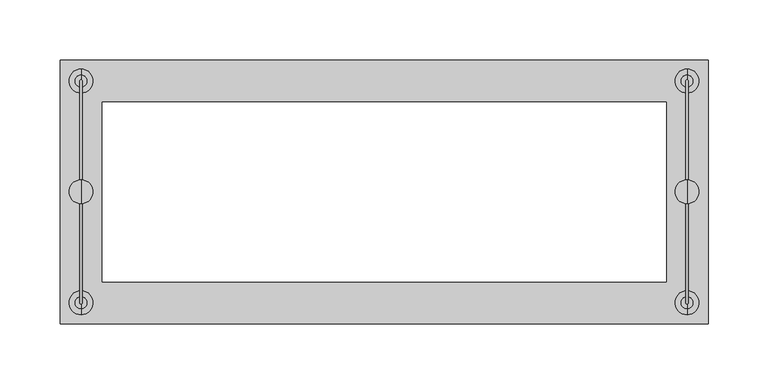
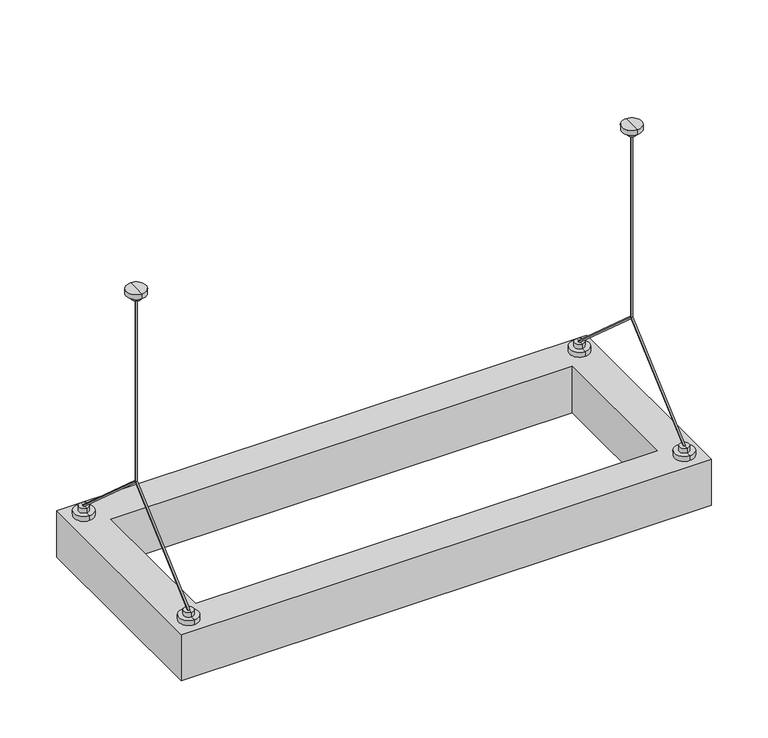
"""IFC4 building model written with IfcOpenShell, lengths in millimetres: light fixture geometry."""

import ifcopenshell
import ifcopenshell.guid

model = None  # the IFC model being written
_history = None  # IfcOwnerHistory: only IFC2X3 demands one
_inside = {}  # id of a spatial element -> (the spatial element, [elements in it])
_under = {}  # id of a project, library or spatial element -> (it, [spatial elements below it])
_declared = {}  # id of a project -> (the project, [libraries it declares])
_typed = {}  # id of a type object -> (the type object, [elements of that type])
_made_of = {}  # id of a material, layer set ... -> (it, [elements and type objects made of it])


def new_model(schema):
    """Start an empty IFC model of exactly this schema.

    Asked for "IFC4X3", IfcOpenShell would pick the latest addendum, in which some entities
    have other attributes; the version numbers below select the first issue.
    IFC2X3 requires an IfcOwnerHistory on every rooted entity: one is made here for all.
    """
    global model, _history
    if schema == "IFC4X3":
        model = ifcopenshell.file(schema_version=(4, 3, 0, 0))
    else:
        model = ifcopenshell.file(schema=schema)
    _inside.clear()
    _under.clear()
    _declared.clear()
    _typed.clear()
    _made_of.clear()
    _history = None
    if model.schema == "IFC2X3":
        org = make("IfcOrganization", Name="unknown")
        user = make(
            "IfcPersonAndOrganization",
            ThePerson=make("IfcPerson", FamilyName="unknown"),
            TheOrganization=org,
        )
        app = make(
            "IfcApplication",
            ApplicationDeveloper=org,
            Version="unknown",
            ApplicationFullName="unknown",
            ApplicationIdentifier="unknown",
        )
        _history = make(
            "IfcOwnerHistory",
            OwningUser=user,
            OwningApplication=app,
            ChangeAction="ADDED",
            CreationDate=0,
        )
    return model


def make(cls, **values):
    """One entity of the class cls with the attributes given. An attribute that is None is left unset."""
    return model.create_entity(
        cls, **{name: value for name, value in values.items() if value is not None}
    )


def rooted(cls, **values):
    """An entity with a GlobalId (a new one), such as an element, a storey or a relation."""
    return make(cls, GlobalId=ifcopenshell.guid.new(), OwnerHistory=_history, **values)


def si_unit(unit_type, name, prefix=None):
    """IfcSIUnit, for example si_unit("LENGTHUNIT", "METRE", prefix="MILLI")."""
    return make("IfcSIUnit", UnitType=unit_type, Prefix=prefix, Name=name)


def assignment(units):
    """IfcUnitAssignment: the units of a project."""
    return None if units is None else make("IfcUnitAssignment", Units=units)


def point(xyz):
    """IfcCartesianPoint."""
    return None if xyz is None else make("IfcCartesianPoint", Coordinates=xyz)


def direction(xyz):
    """IfcDirection."""
    return None if xyz is None else make("IfcDirection", DirectionRatios=xyz)


def frame(location, z_axis=None, x_axis=None):
    """IfcAxis2Placement3D, a coordinate frame: its origin and axes. An axis left out is left unset."""
    return make(
        "IfcAxis2Placement3D",
        Location=point(location),
        Axis=direction(z_axis),
        RefDirection=direction(x_axis),
    )


def origin():
    """The frame at (0, 0, 0) with its axes left unset."""
    return frame((0.0, 0.0, 0.0))


def place(relative_to, where):
    """IfcLocalPlacement: puts the frame where relative to a parent placement (None: the world)."""
    return make(
        "IfcLocalPlacement", PlacementRelTo=relative_to, RelativePlacement=where
    )


def context(
    kind, dimensions, precision=None, world=None, true_north=None, identifier=None
):
    """IfcGeometricRepresentationContext, for example the 3D "Model" context."""
    return make(
        "IfcGeometricRepresentationContext",
        ContextIdentifier=identifier,
        ContextType=kind,
        CoordinateSpaceDimension=dimensions,
        Precision=precision,
        WorldCoordinateSystem=world,
        TrueNorth=true_north,
    )


def project(units=None, contexts=None):
    """IfcProject with its units and contexts."""
    return rooted(
        "IfcProject",
        Name="project",
        RepresentationContexts=contexts,
        UnitsInContext=assignment(units),
    )


def spatial(cls, under=None, at=None, **own):
    """A site, building, storey or space (cls), placed at a placement, below another one or the project."""
    s = rooted(cls, ObjectPlacement=at, **own)
    if under is not None:
        _under.setdefault(under.id(), (under, []))[1].append(s)
    return s


def polyline(points):
    """IfcPolyline through the points."""
    return make("IfcPolyline", Points=[point(p) for p in points])


def circle_curve(where, radius):
    """IfcCircle in the frame where."""
    return make("IfcCircle", Position=where, Radius=radius)


def ellipse_curve(where, semi_axis1, semi_axis2):
    """IfcEllipse in the frame where."""
    return make(
        "IfcEllipse", Position=where, SemiAxis1=semi_axis1, SemiAxis2=semi_axis2
    )


def outline(outer, holes=None, kind="AREA"):
    """IfcArbitraryClosedProfileDef: a profile drawn as a closed curve; with holes, ...WithVoids."""
    if holes is None:
        return make("IfcArbitraryClosedProfileDef", ProfileType=kind, OuterCurve=outer)
    return make(
        "IfcArbitraryProfileDefWithVoids",
        ProfileType=kind,
        OuterCurve=outer,
        InnerCurves=holes,
    )


def extrude(swept, where, along, depth):
    """IfcExtrudedAreaSolid: the profile swept, set in the frame where, extruded along a direction by depth."""
    return make(
        "IfcExtrudedAreaSolid",
        SweptArea=swept,
        Position=where,
        ExtrudedDirection=direction(along),
        Depth=depth,
    )


def shape(context_of_items, identifier, shape_type, items):
    """IfcShapeRepresentation: the items that make up one representation, for example the "Body"."""
    return make(
        "IfcShapeRepresentation",
        ContextOfItems=context_of_items,
        RepresentationIdentifier=identifier,
        RepresentationType=shape_type,
        Items=items,
    )


def source(mapping_origin, context_of_items, identifier, shape_type, items):
    """IfcRepresentationMap: a shape defined once, which mapped items show again and again."""
    return make(
        "IfcRepresentationMap",
        MappingOrigin=mapping_origin,
        MappedRepresentation=shape(context_of_items, identifier, shape_type, items),
    )


def transform(
    local_origin,
    x_axis=None,
    y_axis=None,
    z_axis=None,
    scale=None,
    scale2=None,
    scale3=None,
    uniform=True,
):
    """IfcCartesianTransformationOperator3D, or its non-uniform kind. x_axis, y_axis, z_axis: its Axis1, 2, 3."""
    if uniform:
        return make(
            "IfcCartesianTransformationOperator3D",
            Axis1=direction(x_axis),
            Axis2=direction(y_axis),
            LocalOrigin=point(local_origin),
            Scale=scale,
            Axis3=direction(z_axis),
        )
    return make(
        "IfcCartesianTransformationOperator3DnonUniform",
        Axis1=direction(x_axis),
        Axis2=direction(y_axis),
        LocalOrigin=point(local_origin),
        Scale=scale,
        Axis3=direction(z_axis),
        Scale2=scale2,
        Scale3=scale3,
    )


def mapped(mapping_source, mapping_target):
    """IfcMappedItem: shows the shape of a source again, moved by a transform."""
    return make(
        "IfcMappedItem", MappingSource=mapping_source, MappingTarget=mapping_target
    )


def made_of(thing, what):
    """Note that an element or type object is made of a material, layer set ...; save() writes the relation."""
    if what is not None:
        _made_of.setdefault(what.id(), (what, []))[1].append(thing)
    return thing


def element(
    cls,
    number,
    at=None,
    inside=None,
    cuts=None,
    type_object=None,
    material=None,
    context=None,
    identifier="Body",
    shape_type=None,
    held_by="IfcProductDefinitionShape",
    body=None,
    shapes=None,
    **own,
):
    """One element of the class cls, such as IfcWall. Its Tag is "e" and its number.

    at: its placement. inside: the storey or other place that contains it. cuts: it is an
    opening in that element (IfcRelVoidsElement). A single representation is given by context,
    identifier, shape_type and body (its items); several are given by shapes. held_by: the class
    of the entity that holds the representations. save() writes the other relations.
    """
    e = rooted(cls, Tag="e%d" % number, ObjectPlacement=at, **own)
    if body is not None:
        shapes = [shape(context, identifier, shape_type, body)]
    if shapes is not None:
        e.Representation = make(held_by, Representations=shapes)
    if inside is not None:
        _inside.setdefault(inside.id(), (inside, []))[1].append(e)
    if cuts is not None:
        rooted(
            "IfcRelVoidsElement", RelatingBuildingElement=cuts, RelatedOpeningElement=e
        )
    if type_object is not None:
        _typed.setdefault(type_object.id(), (type_object, []))[1].append(e)
    return made_of(e, material)


def aggregate(whole, parts):
    """IfcRelAggregates: a whole, such as a stair, and the parts it consists of."""
    return rooted("IfcRelAggregates", RelatingObject=whole, RelatedObjects=parts)


def save(model, path):
    """Write the relations noted so far, then the file.

    IfcRelAggregates (storeys below a building ...), IfcRelContainedInSpatialStructure (elements
    in a storey), IfcRelDefinesByType, IfcRelAssociatesMaterial and IfcRelDeclares: one each for
    every whole, place, type object, material and project.
    """
    for whole, parts in _under.values():
        aggregate(whole, parts)
    for where, things in _inside.values():
        rooted(
            "IfcRelContainedInSpatialStructure",
            RelatedElements=things,
            RelatingStructure=where,
        )
    for kind, things in _typed.values():
        rooted("IfcRelDefinesByType", RelatedObjects=things, RelatingType=kind)
    for what, things in _made_of.values():
        rooted("IfcRelAssociatesMaterial", RelatedObjects=things, RelatingMaterial=what)
    for by, libraries in _declared.values():
        rooted("IfcRelDeclares", RelatingContext=by, RelatedDefinitions=libraries)
    model.write(path)


def plane_surface(at):
    """IfcPlane: the flat surface through the origin of the frame at, square to its z axis."""
    return make("IfcPlane", Position=at)


def cylinder_surface(at, radius):
    """IfcCylindricalSurface: all points at the distance radius from the z axis of the frame at."""
    return make("IfcCylindricalSurface", Position=at, Radius=radius)


def advanced_brep(points, edges, surfaces, faces):
    """IfcAdvancedBrep: a solid bounded by faces that lie on surfaces and meet in shared edges.

    An edge is (start, end): straight between two places in points (the first is 0);
    or (start, end, curve); or (start, end, curve, False) where it runs against its curve.
    A face is (place in surfaces, loops), or (place, loops, False) where it looks against
    its surface's normal. A loop lists edges by number (the first is 1), with a minus sign
    where the edge is run from its end to its start. The first loop is the outer one.
    """
    corners = [point(p) for p in points]
    vertices = [make("IfcVertexPoint", VertexGeometry=c) for c in corners]
    made = []
    for start, end, *more in edges:
        made.append(
            make(
                "IfcEdgeCurve",
                EdgeStart=vertices[start],
                EdgeEnd=vertices[end],
                EdgeGeometry=more[0] if more else make("IfcPolyline", Points=[corners[start], corners[end]]),
                SameSense=more[1] if len(more) > 1 else True,
            )
        )
    hull = []
    for where, loops, *sense in faces:
        bounds = []
        for j, loop in enumerate(loops):
            ring = [make("IfcOrientedEdge", EdgeElement=made[abs(k) - 1], Orientation=k > 0) for k in loop]
            bounds.append(
                make(
                    "IfcFaceOuterBound" if j == 0 else "IfcFaceBound",
                    Bound=make("IfcEdgeLoop", EdgeList=ring),
                    Orientation=True,
                )
            )
        hull.append(make("IfcAdvancedFace", Bounds=bounds, FaceSurface=surfaces[where], SameSense=sense[0] if sense else True))
    return make("IfcAdvancedBrep", Outer=make("IfcClosedShell", CfsFaces=hull))


def light_fixture_439aa04a(model_context):
    return source(origin(), model_context, "Body", "SolidModel", [
        advanced_brep(
        [(403.5, 0.0, -10.0), (403.5, 0.0, -207.5), (401.5, 0.0, -207.5), (401.5, 0.0, -10.0), (402.5, 1.0, -10.0), (402.5, -1.0, -10.0), (403.5, -92.5, -290.0), (402.5, -90.9976297, -290.0), (401.5, -92.5, -290.0), (401.5, 92.5, -290.0), (402.5, 90.9976297, -290.0), (403.5, 92.5, -290.0), (402.5, 82.5, -300.0), (402.5, 102.5, -300.0), (402.5, 92.5, -300.0), (402.5, 82.5, -295.0), (402.5, 102.5, -295.0), (402.5, 87.5, -295.0), (402.5, 97.5, -295.0), (402.5, 87.5, -290.0), (402.5, 97.5, -290.0), (402.5, 93.5, -290.0), (402.5, -102.5, -300.0), (402.5, -82.5, -300.0), (402.5, -92.5, -300.0), (402.5, -102.5, -295.0), (402.5, -82.5, -295.0), (402.5, -97.5, -295.0), (402.5, -87.5, -295.0), (402.5, -97.5, -290.0), (402.5, -87.5, -290.0), (402.5, -93.5, -290.0), (402.5, -5.0, -10.0), (402.5, 5.0, -10.0), (402.5, -5.0, -5.0), (402.5, 5.0, -5.0), (402.5, -10.0, -5.0), (402.5, 10.0, -5.0), (402.5, -10.0, 0.0), (402.5, 10.0, 0.0), (402.5, 0.0, 0.0)],
        [
            (0, 1),
            (1, 2, ellipse_curve(frame((402.5, 0.0, -207.5), z_axis=(0.0, -0.40889188854854597, 0.912582831023685), x_axis=(0.0, 0.9125828310236851, 0.4088918885485457)), 1.0957909, 1.0)),
            (2, 3),
            (3, 4, circle_curve(frame((402.5, 0.0, -10.0), z_axis=(0.0, 0.0, -1.0), x_axis=(1.0, 0.0, 0.0)), 1.0)),
            (4, 0, circle_curve(frame((402.5, 0.0, -10.0), z_axis=(0.0, 0.0, -1.0), x_axis=(1.0, 0.0, 0.0)), 1.0)),
            (0, 5, circle_curve(frame((402.5, 0.0, -10.0), z_axis=(0.0, 0.0, -1.0), x_axis=(1.0, 0.0, 0.0)), 1.0)),
            (5, 3, circle_curve(frame((402.5, 0.0, -10.0), z_axis=(0.0, 0.0, -1.0), x_axis=(1.0, 0.0, 0.0)), 1.0)),
            (2, 1, ellipse_curve(frame((402.5, 0.0, -207.5), z_axis=(0.0, 0.4088918885485265, 0.9125828310236938), x_axis=(0.0, -0.9125828310236939, 0.4088918885485263)), 1.0957909, 1.0)),
            (1, 6),
            (6, 7, ellipse_curve(frame((402.5, -92.5, -290.0), z_axis=(0.0, 0.0, 1.0), x_axis=(0.0, 0.9999999999999999, 0.0)), 1.5023703, 1.0)),
            (7, 8, ellipse_curve(frame((402.5, -92.5, -290.0), z_axis=(0.0, 0.0, 1.0), x_axis=(0.0, 0.9999999999999999, 0.0)), 1.5023703, 1.0)),
            (8, 2),
            (2, 1, ellipse_curve(frame((402.5, 0.0, -207.5), z_axis=(0.0, -0.9999999999999999, 0.0), x_axis=(0.0, 0.0, 1.0)), 1.3399519, 1.0)),
            (8, 6, ellipse_curve(frame((402.5, -92.5, -290.0), z_axis=(0.0, 0.4088918885485264, 0.9125828310236938), x_axis=(0.0, 0.9125828310236936, -0.4088918885485264)), 1.0957909, 1.0)),
            (2, 9),
            (9, 10, ellipse_curve(frame((402.5, 92.5, -290.0), z_axis=(0.0, 0.0, 1.0), x_axis=(0.0, -1.0, 0.0)), 1.5023703, 1.0)),
            (10, 11, ellipse_curve(frame((402.5, 92.5, -290.0), z_axis=(0.0, 0.0, 1.0), x_axis=(0.0, -1.0, 0.0)), 1.5023703, 1.0)),
            (11, 1),
            (11, 9, ellipse_curve(frame((402.5, 92.5, -290.0), z_axis=(0.0, -0.4088918885485461, 0.912582831023685), x_axis=(0.0, -0.9125828310236849, -0.40889188854854636)), 1.0957909, 1.0)),
            (12, 13, circle_curve(frame((402.5, 92.5, -300.0), z_axis=(0.0, 0.0, -1.0), x_axis=(0.0, 1.0, 0.0)), 10.0)),
            (13, 14),
            (14, 12),
            (13, 12, circle_curve(frame((402.5, 92.5, -300.0), z_axis=(0.0, 0.0, -1.0), x_axis=(0.0, 1.0, 0.0)), 10.0)),
            (12, 15),
            (15, 16, circle_curve(frame((402.5, 92.5, -295.0), z_axis=(0.0, 0.0, -1.0), x_axis=(0.0, 1.0, 0.0)), 10.0)),
            (16, 13),
            (16, 15, circle_curve(frame((402.5, 92.5, -295.0), z_axis=(0.0, 0.0, -1.0), x_axis=(0.0, 1.0, 0.0)), 10.0)),
            (15, 17),
            (17, 18, circle_curve(frame((402.5, 92.5, -295.0), z_axis=(0.0, 0.0, -1.0), x_axis=(0.0, 1.0, 0.0)), 5.0)),
            (18, 16),
            (18, 17, circle_curve(frame((402.5, 92.5, -295.0), z_axis=(0.0, 0.0, -1.0), x_axis=(0.0, 1.0, 0.0)), 5.0)),
            (17, 19),
            (19, 20, circle_curve(frame((402.5, 92.5, -290.0), z_axis=(0.0, 0.0, -1.0), x_axis=(0.0, 1.0, 0.0)), 5.0)),
            (20, 18),
            (20, 19, circle_curve(frame((402.5, 92.5, -290.0), z_axis=(0.0, 0.0, -1.0), x_axis=(0.0, 1.0, 0.0)), 5.0)),
            (19, 10),
            (9, 21, circle_curve(frame((402.5, 92.5, -290.0), z_axis=(0.0, 0.0, -1.0), x_axis=(1.0, 0.0, 0.0)), 1.0)),
            (21, 20),
            (21, 11, circle_curve(frame((402.5, 92.5, -290.0), z_axis=(0.0, 0.0, -1.0), x_axis=(1.0, 0.0, 0.0)), 1.0)),
            (22, 23, circle_curve(frame((402.5, -92.5, -300.0), z_axis=(0.0, 0.0, -1.0), x_axis=(0.0, 1.0, 0.0)), 10.0)),
            (23, 24),
            (24, 22),
            (23, 22, circle_curve(frame((402.5, -92.5, -300.0), z_axis=(0.0, 0.0, -1.0), x_axis=(0.0, 1.0, 0.0)), 10.0)),
            (22, 25),
            (25, 26, circle_curve(frame((402.5, -92.5, -295.0), z_axis=(0.0, 0.0, -1.0), x_axis=(0.0, 1.0, 0.0)), 10.0)),
            (26, 23),
            (26, 25, circle_curve(frame((402.5, -92.5, -295.0), z_axis=(0.0, 0.0, -1.0), x_axis=(0.0, 1.0, 0.0)), 10.0)),
            (25, 27),
            (27, 28, circle_curve(frame((402.5, -92.5, -295.0), z_axis=(0.0, 0.0, -1.0), x_axis=(0.0, 1.0, 0.0)), 5.0)),
            (28, 26),
            (28, 27, circle_curve(frame((402.5, -92.5, -295.0), z_axis=(0.0, 0.0, -1.0), x_axis=(0.0, 1.0, 0.0)), 5.0)),
            (27, 29),
            (29, 30, circle_curve(frame((402.5, -92.5, -290.0), z_axis=(0.0, 0.0, -1.0), x_axis=(0.0, 1.0, 0.0)), 5.0)),
            (30, 28),
            (30, 29, circle_curve(frame((402.5, -92.5, -290.0), z_axis=(0.0, 0.0, -1.0), x_axis=(0.0, 1.0, 0.0)), 5.0)),
            (29, 31),
            (31, 8, circle_curve(frame((402.5, -92.5, -290.0), z_axis=(0.0, 0.0, -1.0), x_axis=(1.0, 0.0, 0.0)), 1.0)),
            (7, 30),
            (6, 31, circle_curve(frame((402.5, -92.5, -290.0), z_axis=(0.0, 0.0, -1.0), x_axis=(1.0, 0.0, 0.0)), 1.0)),
            (32, 33, circle_curve(frame((402.5, 0.0, -10.0), z_axis=(0.0, 0.0, -1.0), x_axis=(0.0, 1.0, 0.0)), 5.0)),
            (33, 4),
            (5, 32),
            (33, 32, circle_curve(frame((402.5, 0.0, -10.0), z_axis=(0.0, 0.0, -1.0), x_axis=(0.0, 1.0, 0.0)), 5.0)),
            (32, 34),
            (34, 35, circle_curve(frame((402.5, 0.0, -5.0), z_axis=(0.0, 0.0, -1.0), x_axis=(0.0, 1.0, 0.0)), 5.0)),
            (35, 33),
            (35, 34, circle_curve(frame((402.5, 0.0, -5.0), z_axis=(0.0, 0.0, -1.0), x_axis=(0.0, 1.0, 0.0)), 5.0)),
            (34, 36),
            (36, 37, circle_curve(frame((402.5, 0.0, -5.0), z_axis=(0.0, 0.0, -1.0), x_axis=(0.0, 1.0, 0.0)), 10.0)),
            (37, 35),
            (37, 36, circle_curve(frame((402.5, 0.0, -5.0), z_axis=(0.0, 0.0, -1.0), x_axis=(0.0, 1.0, 0.0)), 10.0)),
            (36, 38),
            (38, 39, circle_curve(frame((402.5, 0.0, 0.0), z_axis=(0.0, 0.0, -1.0), x_axis=(0.0, 1.0, 0.0)), 10.0)),
            (39, 37),
            (39, 38, circle_curve(frame((402.5, 0.0, 0.0), z_axis=(0.0, 0.0, -1.0), x_axis=(0.0, 1.0, 0.0)), 10.0)),
            (38, 40),
            (40, 39),
        ],
        [
            cylinder_surface(frame((402.5, 0.0, -10.0), z_axis=(0.0, 0.0, 1.0), x_axis=(1.0, 0.0, 0.0)), 1.0),
            cylinder_surface(frame((402.5, 0.0, -207.5), z_axis=(0.0, 0.7462954344684778, 0.665614846958439), x_axis=(1.0, 0.0, 0.0)), 1.0),
            cylinder_surface(frame((402.5, 0.0, -207.5), z_axis=(0.0, -0.7462954344685063, 0.6656148469584069), x_axis=(1.0, 0.0, 0.0)), 1.0),
            plane_surface(frame((402.5, 92.5, -300.0), z_axis=(0.0, 0.0, -1.0), x_axis=(0.0, 1.0, 0.0))),
            cylinder_surface(frame((402.5, 92.5, -604.8), z_axis=(0.0, 0.0, 1.0), x_axis=(0.0, 1.0, 0.0)), 10.0),
            plane_surface(frame((402.5, 92.5, -295.0), z_axis=(0.0, 0.0, 1.0), x_axis=(0.0, 1.0, 0.0))),
            cylinder_surface(frame((402.5, 92.5, -604.8), z_axis=(0.0, 0.0, 1.0), x_axis=(0.0, 1.0, 0.0)), 5.0),
            plane_surface(frame((402.5, 92.5, -290.0), z_axis=(0.0, 0.0, 1.0), x_axis=(0.0, 1.0, 0.0))),
            plane_surface(frame((402.5, -92.5, -300.0), z_axis=(0.0, 0.0, -1.0), x_axis=(0.0, 1.0, 0.0))),
            cylinder_surface(frame((402.5, -92.5, -604.8), z_axis=(0.0, 0.0, 1.0), x_axis=(0.0, 1.0, 0.0)), 10.0),
            plane_surface(frame((402.5, -92.5, -295.0), z_axis=(0.0, 0.0, 1.0), x_axis=(0.0, 1.0, 0.0))),
            cylinder_surface(frame((402.5, -92.5, -604.8), z_axis=(0.0, 0.0, 1.0), x_axis=(0.0, 1.0, 0.0)), 5.0),
            plane_surface(frame((402.5, -92.5, -290.0), z_axis=(0.0, 0.0, 1.0), x_axis=(0.0, 1.0, 0.0))),
            plane_surface(frame((402.5, 0.0, -10.0), z_axis=(0.0, 0.0, -1.0), x_axis=(0.0, 1.0, 0.0))),
            cylinder_surface(frame((402.5, 0.0, 2141.4742198), z_axis=(0.0, 0.0, 1.0), x_axis=(0.0, 1.0, 0.0)), 5.0),
            plane_surface(frame((402.5, 0.0, -5.0), z_axis=(0.0, 0.0, -1.0), x_axis=(0.0, 1.0, 0.0))),
            cylinder_surface(frame((402.5, 0.0, 2141.4742198), z_axis=(0.0, 0.0, 1.0), x_axis=(0.0, 1.0, 0.0)), 10.0),
            plane_surface(frame((402.5, 0.0, 0.0), z_axis=(0.0, 0.0, 1.0), x_axis=(0.0, 1.0, 0.0))),
            cylinder_surface(frame((402.5, 92.5, -290.0), z_axis=(0.0, 0.0, 1.0), x_axis=(1.0, 0.0, 0.0)), 1.0),
            cylinder_surface(frame((402.5, -92.5, -290.0), z_axis=(0.0, 0.0, 1.0), x_axis=(1.0, 0.0, 0.0)), 1.0),
        ],
        [
            (0, [[1, 2, 3, 4, 5]]),
            (0, [[-1, 6, 7, -3, 8]]),
            (1, [[9, 10, 11, 12, 13]]),
            (1, [[-8, -12, 14, -9]]),
            (2, [[15, 16, 17, 18, -13]]),
            (2, [[-15, -2, -18, 19]]),
            (3, [[20, 21, 22]]),
            (3, [[-21, 23, -22]]),
            (4, [[-20, 24, 25, 26]]),
            (4, [[-23, -26, 27, -24]]),
            (5, [[-25, 28, 29, 30]]),
            (5, [[-27, -30, 31, -28]]),
            (6, [[-29, 32, 33, 34]]),
            (6, [[-31, -34, 35, -32]]),
            (7, [[-33, 36, -16, 37, 38]]),
            (7, [[-35, -38, 39, -17, -36]]),
            (8, [[40, 41, 42]]),
            (8, [[-41, 43, -42]]),
            (9, [[-40, 44, 45, 46]]),
            (9, [[-43, -46, 47, -44]]),
            (10, [[-45, 48, 49, 50]]),
            (10, [[-47, -50, 51, -48]]),
            (11, [[-49, 52, 53, 54]]),
            (11, [[-51, -54, 55, -52]]),
            (12, [[-53, 56, 57, -11, 58]]),
            (12, [[-55, -58, -10, 59, -56]]),
            (13, [[60, 61, -4, -7, 62]]),
            (13, [[63, -62, -6, -5, -61]]),
            (14, [[-60, 64, 65, 66]]),
            (14, [[-63, -66, 67, -64]]),
            (15, [[-65, 68, 69, 70]]),
            (15, [[-67, -70, 71, -68]]),
            (16, [[-69, 72, 73, 74]]),
            (16, [[-71, -74, 75, -72]]),
            (17, [[-73, 76, 77]]),
            (17, [[-75, -77, -76]]),
            (18, [[-19, -39, -37]]),
            (19, [[-14, -57, -59]]),
        ],
    ),
        advanced_brep(
        [(-101.5, 0.0, -10.0), (-101.5, 0.0, -207.5), (-103.5, 0.0, -207.5), (-103.5, 0.0, -10.0), (-102.5, 1.0, -10.0), (-102.5, -1.0, -10.0), (-101.5, -92.5, -290.0), (-102.5, -90.9976297, -290.0), (-103.5, -92.5, -290.0), (-103.5, 92.5, -290.0), (-102.5, 90.9976297, -290.0), (-101.5, 92.5, -290.0), (-102.5, 82.5, -300.0), (-102.5, 102.5, -300.0), (-102.5, 92.5, -300.0), (-102.5, 82.5, -295.0), (-102.5, 102.5, -295.0), (-102.5, 87.5, -295.0), (-102.5, 97.5, -295.0), (-102.5, 87.5, -290.0), (-102.5, 97.5, -290.0), (-102.5, 93.5, -290.0), (-102.5, -102.5, -300.0), (-102.5, -82.5, -300.0), (-102.5, -92.5, -300.0), (-102.5, -102.5, -295.0), (-102.5, -82.5, -295.0), (-102.5, -97.5, -295.0), (-102.5, -87.5, -295.0), (-102.5, -97.5, -290.0), (-102.5, -87.5, -290.0), (-102.5, -93.5, -290.0), (-102.5, -5.0, -10.0), (-102.5, 5.0, -10.0), (-102.5, -5.0, -5.0), (-102.5, 5.0, -5.0), (-102.5, -10.0, -5.0), (-102.5, 10.0, -5.0), (-102.5, -10.0, 0.0), (-102.5, 10.0, 0.0), (-102.5, 0.0, 0.0)],
        [
            (0, 1),
            (1, 2, ellipse_curve(frame((-102.5, 0.0, -207.5), z_axis=(0.0, -0.40889188854854597, 0.912582831023685), x_axis=(0.0, 0.9125828310236851, 0.4088918885485457)), 1.0957909, 1.0)),
            (2, 3),
            (3, 4, circle_curve(frame((-102.5, 0.0, -10.0), z_axis=(0.0, 0.0, -1.0), x_axis=(1.0, 0.0, 0.0)), 1.0)),
            (4, 0, circle_curve(frame((-102.5, 0.0, -10.0), z_axis=(0.0, 0.0, -1.0), x_axis=(1.0, 0.0, 0.0)), 1.0)),
            (0, 5, circle_curve(frame((-102.5, 0.0, -10.0), z_axis=(0.0, 0.0, -1.0), x_axis=(1.0, 0.0, 0.0)), 1.0)),
            (5, 3, circle_curve(frame((-102.5, 0.0, -10.0), z_axis=(0.0, 0.0, -1.0), x_axis=(1.0, 0.0, 0.0)), 1.0)),
            (2, 1, ellipse_curve(frame((-102.5, 0.0, -207.5), z_axis=(0.0, 0.4088918885485265, 0.9125828310236938), x_axis=(0.0, -0.9125828310236939, 0.4088918885485263)), 1.0957909, 1.0)),
            (1, 6),
            (6, 7, ellipse_curve(frame((-102.5, -92.5, -290.0), z_axis=(0.0, 0.0, 1.0), x_axis=(0.0, 0.9999999999999999, 0.0)), 1.5023703, 1.0)),
            (7, 8, ellipse_curve(frame((-102.5, -92.5, -290.0), z_axis=(0.0, 0.0, 1.0), x_axis=(0.0, 0.9999999999999999, 0.0)), 1.5023703, 1.0)),
            (8, 2),
            (2, 1, ellipse_curve(frame((-102.5, 0.0, -207.5), z_axis=(0.0, -0.9999999999999999, 0.0), x_axis=(0.0, 0.0, 1.0)), 1.3399519, 1.0)),
            (8, 6, ellipse_curve(frame((-102.5, -92.5, -290.0), z_axis=(0.0, 0.4088918885485264, 0.9125828310236938), x_axis=(0.0, 0.9125828310236936, -0.4088918885485264)), 1.0957909, 1.0)),
            (2, 9),
            (9, 10, ellipse_curve(frame((-102.5, 92.5, -290.0), z_axis=(0.0, 0.0, 1.0), x_axis=(0.0, -1.0, 0.0)), 1.5023703, 1.0)),
            (10, 11, ellipse_curve(frame((-102.5, 92.5, -290.0), z_axis=(0.0, 0.0, 1.0), x_axis=(0.0, -1.0, 0.0)), 1.5023703, 1.0)),
            (11, 1),
            (11, 9, ellipse_curve(frame((-102.5, 92.5, -290.0), z_axis=(0.0, -0.4088918885485461, 0.912582831023685), x_axis=(0.0, -0.9125828310236849, -0.40889188854854636)), 1.0957909, 1.0)),
            (12, 13, circle_curve(frame((-102.5, 92.5, -300.0), z_axis=(0.0, 0.0, -1.0), x_axis=(0.0, 1.0, 0.0)), 10.0)),
            (13, 14),
            (14, 12),
            (13, 12, circle_curve(frame((-102.5, 92.5, -300.0), z_axis=(0.0, 0.0, -1.0), x_axis=(0.0, 1.0, 0.0)), 10.0)),
            (12, 15),
            (15, 16, circle_curve(frame((-102.5, 92.5, -295.0), z_axis=(0.0, 0.0, -1.0), x_axis=(0.0, 1.0, 0.0)), 10.0)),
            (16, 13),
            (16, 15, circle_curve(frame((-102.5, 92.5, -295.0), z_axis=(0.0, 0.0, -1.0), x_axis=(0.0, 1.0, 0.0)), 10.0)),
            (15, 17),
            (17, 18, circle_curve(frame((-102.5, 92.5, -295.0), z_axis=(0.0, 0.0, -1.0), x_axis=(0.0, 1.0, 0.0)), 5.0)),
            (18, 16),
            (18, 17, circle_curve(frame((-102.5, 92.5, -295.0), z_axis=(0.0, 0.0, -1.0), x_axis=(0.0, 1.0, 0.0)), 5.0)),
            (17, 19),
            (19, 20, circle_curve(frame((-102.5, 92.5, -290.0), z_axis=(0.0, 0.0, -1.0), x_axis=(0.0, 1.0, 0.0)), 5.0)),
            (20, 18),
            (20, 19, circle_curve(frame((-102.5, 92.5, -290.0), z_axis=(0.0, 0.0, -1.0), x_axis=(0.0, 1.0, 0.0)), 5.0)),
            (19, 10),
            (9, 21, circle_curve(frame((-102.5, 92.5, -290.0), z_axis=(0.0, 0.0, -1.0), x_axis=(1.0, 0.0, 0.0)), 1.0)),
            (21, 20),
            (21, 11, circle_curve(frame((-102.5, 92.5, -290.0), z_axis=(0.0, 0.0, -1.0), x_axis=(1.0, 0.0, 0.0)), 1.0)),
            (22, 23, circle_curve(frame((-102.5, -92.5, -300.0), z_axis=(0.0, 0.0, -1.0), x_axis=(0.0, 1.0, 0.0)), 10.0)),
            (23, 24),
            (24, 22),
            (23, 22, circle_curve(frame((-102.5, -92.5, -300.0), z_axis=(0.0, 0.0, -1.0), x_axis=(0.0, 1.0, 0.0)), 10.0)),
            (22, 25),
            (25, 26, circle_curve(frame((-102.5, -92.5, -295.0), z_axis=(0.0, 0.0, -1.0), x_axis=(0.0, 1.0, 0.0)), 10.0)),
            (26, 23),
            (26, 25, circle_curve(frame((-102.5, -92.5, -295.0), z_axis=(0.0, 0.0, -1.0), x_axis=(0.0, 1.0, 0.0)), 10.0)),
            (25, 27),
            (27, 28, circle_curve(frame((-102.5, -92.5, -295.0), z_axis=(0.0, 0.0, -1.0), x_axis=(0.0, 1.0, 0.0)), 5.0)),
            (28, 26),
            (28, 27, circle_curve(frame((-102.5, -92.5, -295.0), z_axis=(0.0, 0.0, -1.0), x_axis=(0.0, 1.0, 0.0)), 5.0)),
            (27, 29),
            (29, 30, circle_curve(frame((-102.5, -92.5, -290.0), z_axis=(0.0, 0.0, -1.0), x_axis=(0.0, 1.0, 0.0)), 5.0)),
            (30, 28),
            (30, 29, circle_curve(frame((-102.5, -92.5, -290.0), z_axis=(0.0, 0.0, -1.0), x_axis=(0.0, 1.0, 0.0)), 5.0)),
            (29, 31),
            (31, 8, circle_curve(frame((-102.5, -92.5, -290.0), z_axis=(0.0, 0.0, -1.0), x_axis=(1.0, 0.0, 0.0)), 1.0)),
            (7, 30),
            (6, 31, circle_curve(frame((-102.5, -92.5, -290.0), z_axis=(0.0, 0.0, -1.0), x_axis=(1.0, 0.0, 0.0)), 1.0)),
            (32, 33, circle_curve(frame((-102.5, 0.0, -10.0), z_axis=(0.0, 0.0, -1.0), x_axis=(0.0, 1.0, 0.0)), 5.0)),
            (33, 4),
            (5, 32),
            (33, 32, circle_curve(frame((-102.5, 0.0, -10.0), z_axis=(0.0, 0.0, -1.0), x_axis=(0.0, 1.0, 0.0)), 5.0)),
            (32, 34),
            (34, 35, circle_curve(frame((-102.5, 0.0, -5.0), z_axis=(0.0, 0.0, -1.0), x_axis=(0.0, 1.0, 0.0)), 5.0)),
            (35, 33),
            (35, 34, circle_curve(frame((-102.5, 0.0, -5.0), z_axis=(0.0, 0.0, -1.0), x_axis=(0.0, 1.0, 0.0)), 5.0)),
            (34, 36),
            (36, 37, circle_curve(frame((-102.5, 0.0, -5.0), z_axis=(0.0, 0.0, -1.0), x_axis=(0.0, 1.0, 0.0)), 10.0)),
            (37, 35),
            (37, 36, circle_curve(frame((-102.5, 0.0, -5.0), z_axis=(0.0, 0.0, -1.0), x_axis=(0.0, 1.0, 0.0)), 10.0)),
            (36, 38),
            (38, 39, circle_curve(frame((-102.5, 0.0, 0.0), z_axis=(0.0, 0.0, -1.0), x_axis=(0.0, 1.0, 0.0)), 10.0)),
            (39, 37),
            (39, 38, circle_curve(frame((-102.5, 0.0, 0.0), z_axis=(0.0, 0.0, -1.0), x_axis=(0.0, 1.0, 0.0)), 10.0)),
            (38, 40),
            (40, 39),
        ],
        [
            cylinder_surface(frame((-102.5, 0.0, -10.0), z_axis=(0.0, 0.0, 1.0), x_axis=(1.0, 0.0, 0.0)), 1.0),
            cylinder_surface(frame((-102.5, 0.0, -207.5), z_axis=(0.0, 0.7462954344684778, 0.665614846958439), x_axis=(1.0, 0.0, 0.0)), 1.0),
            cylinder_surface(frame((-102.5, 0.0, -207.5), z_axis=(0.0, -0.7462954344685063, 0.6656148469584069), x_axis=(1.0, 0.0, 0.0)), 1.0),
            plane_surface(frame((-102.5, 92.5, -300.0), z_axis=(0.0, 0.0, -1.0), x_axis=(0.0, 1.0, 0.0))),
            cylinder_surface(frame((-102.5, 92.5, -604.8), z_axis=(0.0, 0.0, 1.0), x_axis=(0.0, 1.0, 0.0)), 10.0),
            plane_surface(frame((-102.5, 92.5, -295.0), z_axis=(0.0, 0.0, 1.0), x_axis=(0.0, 1.0, 0.0))),
            cylinder_surface(frame((-102.5, 92.5, -604.8), z_axis=(0.0, 0.0, 1.0), x_axis=(0.0, 1.0, 0.0)), 5.0),
            plane_surface(frame((-102.5, 92.5, -290.0), z_axis=(0.0, 0.0, 1.0), x_axis=(0.0, 1.0, 0.0))),
            plane_surface(frame((-102.5, -92.5, -300.0), z_axis=(0.0, 0.0, -1.0), x_axis=(0.0, 1.0, 0.0))),
            cylinder_surface(frame((-102.5, -92.5, -604.8), z_axis=(0.0, 0.0, 1.0), x_axis=(0.0, 1.0, 0.0)), 10.0),
            plane_surface(frame((-102.5, -92.5, -295.0), z_axis=(0.0, 0.0, 1.0), x_axis=(0.0, 1.0, 0.0))),
            cylinder_surface(frame((-102.5, -92.5, -604.8), z_axis=(0.0, 0.0, 1.0), x_axis=(0.0, 1.0, 0.0)), 5.0),
            plane_surface(frame((-102.5, -92.5, -290.0), z_axis=(0.0, 0.0, 1.0), x_axis=(0.0, 1.0, 0.0))),
            plane_surface(frame((-102.5, 0.0, -10.0), z_axis=(0.0, 0.0, -1.0), x_axis=(0.0, 1.0, 0.0))),
            cylinder_surface(frame((-102.5, 0.0, 2141.4742198), z_axis=(0.0, 0.0, 1.0), x_axis=(0.0, 1.0, 0.0)), 5.0),
            plane_surface(frame((-102.5, 0.0, -5.0), z_axis=(0.0, 0.0, -1.0), x_axis=(0.0, 1.0, 0.0))),
            cylinder_surface(frame((-102.5, 0.0, 2141.4742198), z_axis=(0.0, 0.0, 1.0), x_axis=(0.0, 1.0, 0.0)), 10.0),
            plane_surface(frame((-102.5, 0.0, 0.0), z_axis=(0.0, 0.0, 1.0), x_axis=(0.0, 1.0, 0.0))),
            cylinder_surface(frame((-102.5, 92.5, -290.0), z_axis=(0.0, 0.0, 1.0), x_axis=(1.0, 0.0, 0.0)), 1.0),
            cylinder_surface(frame((-102.5, -92.5, -290.0), z_axis=(0.0, 0.0, 1.0), x_axis=(1.0, 0.0, 0.0)), 1.0),
        ],
        [
            (0, [[1, 2, 3, 4, 5]]),
            (0, [[-1, 6, 7, -3, 8]]),
            (1, [[9, 10, 11, 12, 13]]),
            (1, [[-8, -12, 14, -9]]),
            (2, [[15, 16, 17, 18, -13]]),
            (2, [[-15, -2, -18, 19]]),
            (3, [[20, 21, 22]]),
            (3, [[-21, 23, -22]]),
            (4, [[-20, 24, 25, 26]]),
            (4, [[-23, -26, 27, -24]]),
            (5, [[-25, 28, 29, 30]]),
            (5, [[-27, -30, 31, -28]]),
            (6, [[-29, 32, 33, 34]]),
            (6, [[-31, -34, 35, -32]]),
            (7, [[-33, 36, -16, 37, 38]]),
            (7, [[-35, -38, 39, -17, -36]]),
            (8, [[40, 41, 42]]),
            (8, [[-41, 43, -42]]),
            (9, [[-40, 44, 45, 46]]),
            (9, [[-43, -46, 47, -44]]),
            (10, [[-45, 48, 49, 50]]),
            (10, [[-47, -50, 51, -48]]),
            (11, [[-49, 52, 53, 54]]),
            (11, [[-51, -54, 55, -52]]),
            (12, [[-53, 56, 57, -11, 58]]),
            (12, [[-55, -58, -10, 59, -56]]),
            (13, [[60, 61, -4, -7, 62]]),
            (13, [[63, -62, -6, -5, -61]]),
            (14, [[-60, 64, 65, 66]]),
            (14, [[-63, -66, 67, -64]]),
            (15, [[-65, 68, 69, 70]]),
            (15, [[-67, -70, 71, -68]]),
            (16, [[-69, 72, 73, 74]]),
            (16, [[-71, -74, 75, -72]]),
            (17, [[-73, 76, 77]]),
            (17, [[-75, -77, -76]]),
            (18, [[-19, -39, -37]]),
            (19, [[-14, -57, -59]]),
        ],
    ),
        extrude(outline(polyline([(420.0, 110.0), (420.0, -110.0), (-120.0, -110.0), (-120.0, 110.0), (420.0, 110.0)]), holes=[polyline([(385.0, 75.0), (-85.0, 75.0), (-85.0, -75.0), (385.0, -75.0), (385.0, 75.0)])]), frame((0.0, 0.0, -350.0), z_axis=(0.0, 0.0, 1.0), x_axis=(1.0, 0.0, 0.0)), (0.0, 0.0, 1.0), 50.0),
    ])


if __name__ == "__main__":
    model = new_model("IFC4")
    model_context = context("Model", 3, world=origin())
    ifc_project = project(units=[si_unit("LENGTHUNIT", "METRE", prefix="MILLI")], contexts=[model_context])
    site = spatial("IfcSite", under=ifc_project)
    building = spatial("IfcBuilding", under=site)
    placement = place(None, origin())
    light_fixture_shape = light_fixture_439aa04a(model_context)
    element("IfcLightFixture", 1, at=placement, inside=building, context=model_context, shape_type="MappedRepresentation", body=[
        mapped(light_fixture_shape, transform((0.0, 0.0, 0.0), x_axis=(1.0, 0.0, 0.0), y_axis=(0.0, 1.0, 0.0), z_axis=(0.0, 0.0, 1.0))),
    ])
    save(model, "model.ifc")
